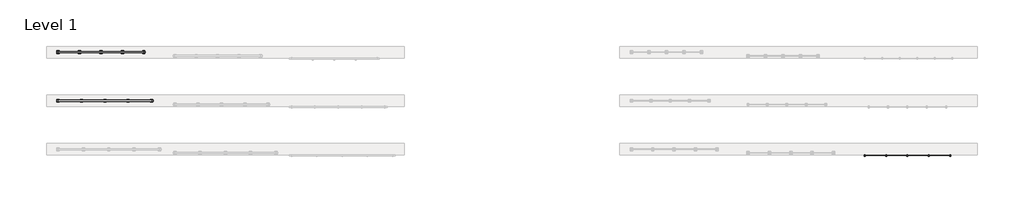
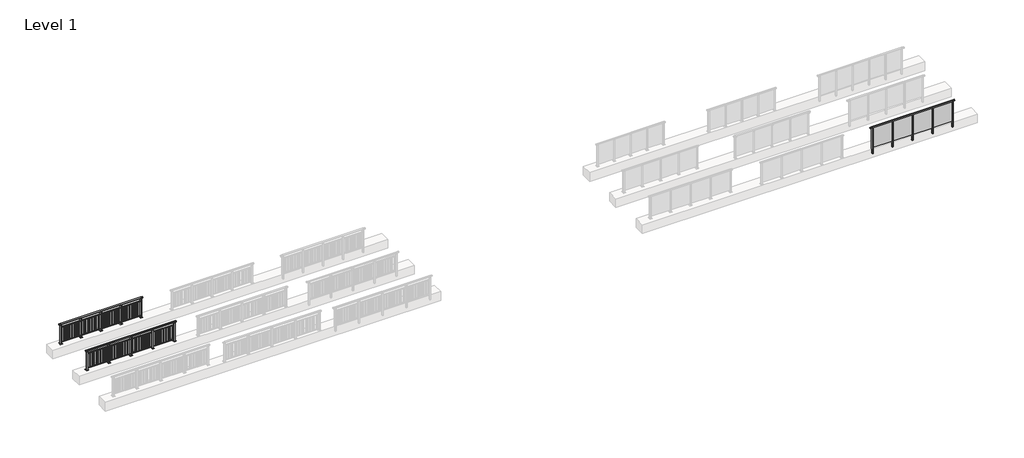
# One storey, part 22 of 38: 3 railings.
"""IFC4 building model written with IfcOpenShell, lengths in millimetres."""

from ifc_helpers import new_model, si_unit, frame, origin, origin_with_axes, place, context, project, spatial, polyline, outline, extrude, faceted_brep, element, save

model = new_model("IFC4")

# Units and contexts
model_context = context("Model", 3, world=origin())
ifc_project = project(units=[si_unit("LENGTHUNIT", "METRE", prefix="MILLI")], contexts=[model_context])

# Site, building, storey
site = spatial("IfcSite", under=ifc_project)
building = spatial("IfcBuilding", under=site)
storey = spatial("IfcBuildingStorey", under=building, Name="Level 1", Elevation=0.0)

# Railings
placement = place(None, origin())
element("IfcRailing", 1, at=placement, inside=storey, context=model_context, shape_type="SolidModel", body=[
    faceted_brep([(41476.1884576, 29897.6846828, 1252.5), (41476.1884576, 29897.6846828, 1300.0), (45876.1884576, 29897.6846828, 1300.0), (45876.1884576, 29897.6846828, 1252.5), (41476.1884576, 29837.6846828, 1252.5), (45876.1884576, 29837.6846828, 1252.5), (41476.1884576, 29837.6846828, 1300.0), (45876.1884576, 29837.6846828, 1300.0), (41353.1884576, 29897.6846828, 1300.0), (41353.1884576, 29897.6846828, 1252.5), (41353.1884576, 29837.6846828, 1252.5), (41353.1884576, 29837.6846828, 1300.0), (45999.1884576, 29897.6846828, 1300.0), (45999.1884576, 29837.6846828, 1300.0), (45999.1884576, 29837.6846828, 1252.5), (45999.1884576, 29897.6846828, 1252.5)], [[[0, 1, 2, 3]], [[4, 0, 3, 5]], [[6, 4, 5, 7]], [[1, 6, 7, 2]], [[8, 9, 10, 11]], [[9, 8, 1, 0]], [[10, 9, 0, 4]], [[11, 10, 4, 6]], [[8, 11, 6, 1]], [[12, 13, 14, 15]], [[3, 2, 12, 15]], [[5, 3, 15, 14]], [[7, 5, 14, 13]], [[2, 7, 13, 12]]]),
    extrude(outline(polyline([(44786.1884576, 29860.9094929), (44786.1884576, 29872.9094929), (45866.1884576, 29872.9094929), (45866.1884576, 29860.9094929), (44786.1884576, 29860.9094929)])), frame((0.0, 0.0, 95.0), z_axis=(0.0, 0.0, 1.0), x_axis=(1.0, 0.0, 0.0)), (0.0, 0.0, 1.0), 1160.0),
    extrude(outline(polyline([(44803.1884576, 29906.6846828), (44803.1884576, 29828.6846828), (44749.1884576, 29828.6846828), (44749.1884576, 29906.6846828), (44803.1884576, 29906.6846828)])), frame((0.0, 0.0, 1227.0), z_axis=(0.0, 0.0, 1.0), x_axis=(1.0, 0.0, 0.0)), (0.0, 0.0, 1.0), 8.0),
    extrude(outline(polyline([(44786.1884576, 29877.6846828), (44786.1884576, 29857.6846828), (44766.1884576, 29857.6846828), (44766.1884576, 29877.6846828), (44786.1884576, 29877.6846828)])), frame((0.0, 0.0, 1235.0), z_axis=(0.0, 0.0, 1.0), x_axis=(1.0, 0.0, 0.0)), (0.0, 0.0, 1.0), 20.0),
    extrude(outline(polyline([(44803.1884576, 29906.6846828), (44803.1884576, 29828.6846828), (44749.1884576, 29828.6846828), (44749.1884576, 29906.6846828), (44803.1884576, 29906.6846828)])), frame((0.0, 0.0, -220.0), z_axis=(0.0, 0.0, 1.0), x_axis=(1.0, 0.0, 0.0)), (0.0, 0.0, 1.0), 8.0),
    extrude(outline(polyline([(44803.1884576, 29906.6846828), (44803.1884576, 29828.6846828), (44749.1884576, 29828.6846828), (44749.1884576, 29906.6846828), (44803.1884576, 29906.6846828)])), frame((0.0, 0.0, -212.0), z_axis=(0.0, 0.0, 1.0), x_axis=(1.0, 0.0, 0.0)), (0.0, 0.0, 1.0), 1439.0),
    extrude(outline(polyline([(43686.1884576, 29860.9094929), (43686.1884576, 29872.9094929), (44766.1884576, 29872.9094929), (44766.1884576, 29860.9094929), (43686.1884576, 29860.9094929)])), frame((0.0, 0.0, 95.0), z_axis=(0.0, 0.0, 1.0), x_axis=(1.0, 0.0, 0.0)), (0.0, 0.0, 1.0), 1160.0),
    extrude(outline(polyline([(43703.1884576, 29906.6846828), (43703.1884576, 29828.6846828), (43649.1884576, 29828.6846828), (43649.1884576, 29906.6846828), (43703.1884576, 29906.6846828)])), frame((0.0, 0.0, 1227.0), z_axis=(0.0, 0.0, 1.0), x_axis=(1.0, 0.0, 0.0)), (0.0, 0.0, 1.0), 8.0),
    extrude(outline(polyline([(43686.1884576, 29877.6846828), (43686.1884576, 29857.6846828), (43666.1884576, 29857.6846828), (43666.1884576, 29877.6846828), (43686.1884576, 29877.6846828)])), frame((0.0, 0.0, 1235.0), z_axis=(0.0, 0.0, 1.0), x_axis=(1.0, 0.0, 0.0)), (0.0, 0.0, 1.0), 20.0),
    extrude(outline(polyline([(43703.1884576, 29906.6846828), (43703.1884576, 29828.6846828), (43649.1884576, 29828.6846828), (43649.1884576, 29906.6846828), (43703.1884576, 29906.6846828)])), frame((0.0, 0.0, -220.0), z_axis=(0.0, 0.0, 1.0), x_axis=(1.0, 0.0, 0.0)), (0.0, 0.0, 1.0), 8.0),
    extrude(outline(polyline([(43703.1884576, 29906.6846828), (43703.1884576, 29828.6846828), (43649.1884576, 29828.6846828), (43649.1884576, 29906.6846828), (43703.1884576, 29906.6846828)])), frame((0.0, 0.0, -212.0), z_axis=(0.0, 0.0, 1.0), x_axis=(1.0, 0.0, 0.0)), (0.0, 0.0, 1.0), 1439.0),
    extrude(outline(polyline([(42586.1884576, 29860.9094929), (42586.1884576, 29872.9094929), (43666.1884576, 29872.9094929), (43666.1884576, 29860.9094929), (42586.1884576, 29860.9094929)])), frame((0.0, 0.0, 95.0), z_axis=(0.0, 0.0, 1.0), x_axis=(1.0, 0.0, 0.0)), (0.0, 0.0, 1.0), 1160.0),
    extrude(outline(polyline([(42603.1884576, 29906.6846828), (42603.1884576, 29828.6846828), (42549.1884576, 29828.6846828), (42549.1884576, 29906.6846828), (42603.1884576, 29906.6846828)])), frame((0.0, 0.0, 1227.0), z_axis=(0.0, 0.0, 1.0), x_axis=(1.0, 0.0, 0.0)), (0.0, 0.0, 1.0), 8.0),
    extrude(outline(polyline([(42586.1884576, 29877.6846828), (42586.1884576, 29857.6846828), (42566.1884576, 29857.6846828), (42566.1884576, 29877.6846828), (42586.1884576, 29877.6846828)])), frame((0.0, 0.0, 1235.0), z_axis=(0.0, 0.0, 1.0), x_axis=(1.0, 0.0, 0.0)), (0.0, 0.0, 1.0), 20.0),
    extrude(outline(polyline([(42603.1884576, 29906.6846828), (42603.1884576, 29828.6846828), (42549.1884576, 29828.6846828), (42549.1884576, 29906.6846828), (42603.1884576, 29906.6846828)])), frame((0.0, 0.0, -220.0), z_axis=(0.0, 0.0, 1.0), x_axis=(1.0, 0.0, 0.0)), (0.0, 0.0, 1.0), 8.0),
    extrude(outline(polyline([(42603.1884576, 29906.6846828), (42603.1884576, 29828.6846828), (42549.1884576, 29828.6846828), (42549.1884576, 29906.6846828), (42603.1884576, 29906.6846828)])), frame((0.0, 0.0, -212.0), z_axis=(0.0, 0.0, 1.0), x_axis=(1.0, 0.0, 0.0)), (0.0, 0.0, 1.0), 1439.0),
    extrude(outline(polyline([(41486.1884576, 29860.9094929), (41486.1884576, 29872.9094929), (42566.1884576, 29872.9094929), (42566.1884576, 29860.9094929), (41486.1884576, 29860.9094929)])), frame((0.0, 0.0, 95.0), z_axis=(0.0, 0.0, 1.0), x_axis=(1.0, 0.0, 0.0)), (0.0, 0.0, 1.0), 1160.0),
    extrude(outline(polyline([(45903.1884576, 29906.6846828), (45903.1884576, 29828.6846828), (45849.1884576, 29828.6846828), (45849.1884576, 29906.6846828), (45903.1884576, 29906.6846828)])), frame((0.0, 0.0, 1227.0), z_axis=(0.0, 0.0, 1.0), x_axis=(1.0, 0.0, 0.0)), (0.0, 0.0, 1.0), 8.0),
    extrude(outline(polyline([(45886.1884576, 29877.6846828), (45886.1884576, 29857.6846828), (45866.1884576, 29857.6846828), (45866.1884576, 29877.6846828), (45886.1884576, 29877.6846828)])), frame((0.0, 0.0, 1235.0), z_axis=(0.0, 0.0, 1.0), x_axis=(1.0, 0.0, 0.0)), (0.0, 0.0, 1.0), 20.0),
    extrude(outline(polyline([(45903.1884576, 29906.6846828), (45903.1884576, 29828.6846828), (45849.1884576, 29828.6846828), (45849.1884576, 29906.6846828), (45903.1884576, 29906.6846828)])), frame((0.0, 0.0, -220.0), z_axis=(0.0, 0.0, 1.0), x_axis=(1.0, 0.0, 0.0)), (0.0, 0.0, 1.0), 8.0),
    extrude(outline(polyline([(45903.1884576, 29906.6846828), (45903.1884576, 29828.6846828), (45849.1884576, 29828.6846828), (45849.1884576, 29906.6846828), (45903.1884576, 29906.6846828)])), frame((0.0, 0.0, -212.0), z_axis=(0.0, 0.0, 1.0), x_axis=(1.0, 0.0, 0.0)), (0.0, 0.0, 1.0), 1439.0),
    extrude(outline(polyline([(41503.1884576, 29906.6846828), (41503.1884576, 29828.6846828), (41449.1884576, 29828.6846828), (41449.1884576, 29906.6846828), (41503.1884576, 29906.6846828)])), frame((0.0, 0.0, 1227.0), z_axis=(0.0, 0.0, 1.0), x_axis=(1.0, 0.0, 0.0)), (0.0, 0.0, 1.0), 8.0),
    extrude(outline(polyline([(41486.1884576, 29877.6846828), (41486.1884576, 29857.6846828), (41466.1884576, 29857.6846828), (41466.1884576, 29877.6846828), (41486.1884576, 29877.6846828)])), frame((0.0, 0.0, 1235.0), z_axis=(0.0, 0.0, 1.0), x_axis=(1.0, 0.0, 0.0)), (0.0, 0.0, 1.0), 20.0),
    extrude(outline(polyline([(41503.1884576, 29906.6846828), (41503.1884576, 29828.6846828), (41449.1884576, 29828.6846828), (41449.1884576, 29906.6846828), (41503.1884576, 29906.6846828)])), frame((0.0, 0.0, -220.0), z_axis=(0.0, 0.0, 1.0), x_axis=(1.0, 0.0, 0.0)), (0.0, 0.0, 1.0), 8.0),
    extrude(outline(polyline([(41503.1884576, 29906.6846828), (41503.1884576, 29828.6846828), (41449.1884576, 29828.6846828), (41449.1884576, 29906.6846828), (41503.1884576, 29906.6846828)])), frame((0.0, 0.0, -212.0), z_axis=(0.0, 0.0, 1.0), x_axis=(1.0, 0.0, 0.0)), (0.0, 0.0, 1.0), 1439.0),
])
element("IfcRailing", 2, at=placement, inside=storey, context=model_context, shape_type="SolidModel", body=[
    faceted_brep([(0.0, 32720.1846828, 1102.5), (0.0, 32720.1846828, 1150.0), (4800.0, 32720.1846828, 1150.0), (4800.0, 32720.1846828, 1102.5), (0.0, 32660.1846828, 1102.5), (4800.0, 32660.1846828, 1102.5), (0.0, 32660.1846828, 1150.0), (4800.0, 32660.1846828, 1150.0), (-87.5, 32720.1846828, 1150.0), (-87.5, 32720.1846828, 1102.5), (-87.5, 32660.1846828, 1102.5), (-87.5, 32660.1846828, 1150.0), (4887.5, 32720.1846828, 1150.0), (4887.5, 32660.1846828, 1150.0), (4887.5, 32660.1846828, 1102.5), (4887.5, 32720.1846828, 1102.5)], [[[0, 1, 2, 3]], [[4, 0, 3, 5]], [[6, 4, 5, 7]], [[1, 6, 7, 2]], [[8, 9, 10, 11]], [[9, 8, 1, 0]], [[10, 9, 0, 4]], [[11, 10, 4, 6]], [[8, 11, 6, 1]], [[12, 13, 14, 15]], [[3, 2, 12, 15]], [[5, 3, 15, 14]], [[7, 5, 14, 13]], [[2, 7, 13, 12]]]),
    extrude(outline(polyline([(0.0, 32672.1846828), (0.0, 32708.1846828), (4800.0, 32708.1846828), (4800.0, 32672.1846828), (0.0, 32672.1846828)])), frame((0.0, 0.0, 928.0), z_axis=(0.0, 0.0, 1.0), x_axis=(1.0, 0.0, 0.0)), (0.0, 0.0, 1.0), 32.0),
    extrude(outline(polyline([(0.0, 32672.1846828), (0.0, 32708.1846828), (4800.0, 32708.1846828), (4800.0, 32672.1846828), (0.0, 32672.1846828)])), frame((0.0, 0.0, 93.0), z_axis=(0.0, 0.0, 1.0), x_axis=(1.0, 0.0, 0.0)), (0.0, 0.0, 1.0), 32.0),
    extrude(outline(polyline([(4725.7345679, 32698.6846828), (4725.7345679, 32681.6846828), (4676.7345679, 32681.6846828), (4676.7345679, 32698.6846828), (4725.7345679, 32698.6846828)])), frame((0.0, 0.0, 125.0), z_axis=(0.0, 0.0, 1.0), x_axis=(1.0, 0.0, 0.0)), (0.0, 0.0, 1.0), 803.0),
    extrude(outline(polyline([(4582.5246914, 32698.6846828), (4582.5246914, 32681.6846828), (4533.5246914, 32681.6846828), (4533.5246914, 32698.6846828), (4582.5246914, 32698.6846828)])), frame((0.0, 0.0, 125.0), z_axis=(0.0, 0.0, 1.0), x_axis=(1.0, 0.0, 0.0)), (0.0, 0.0, 1.0), 803.0),
    extrude(outline(polyline([(4439.3148148, 32698.6846828), (4439.3148148, 32681.6846828), (4390.3148148, 32681.6846828), (4390.3148148, 32698.6846828), (4439.3148148, 32698.6846828)])), frame((0.0, 0.0, 125.0), z_axis=(0.0, 0.0, 1.0), x_axis=(1.0, 0.0, 0.0)), (0.0, 0.0, 1.0), 803.0),
    extrude(outline(polyline([(4296.1049383, 32698.6846828), (4296.1049383, 32681.6846828), (4247.1049383, 32681.6846828), (4247.1049383, 32698.6846828), (4296.1049383, 32698.6846828)])), frame((0.0, 0.0, 125.0), z_axis=(0.0, 0.0, 1.0), x_axis=(1.0, 0.0, 0.0)), (0.0, 0.0, 1.0), 803.0),
    extrude(outline(polyline([(4152.8950617, 32698.6846828), (4152.8950617, 32681.6846828), (4103.8950617, 32681.6846828), (4103.8950617, 32698.6846828), (4152.8950617, 32698.6846828)])), frame((0.0, 0.0, 125.0), z_axis=(0.0, 0.0, 1.0), x_axis=(1.0, 0.0, 0.0)), (0.0, 0.0, 1.0), 803.0),
    extrude(outline(polyline([(4009.6851852, 32698.6846828), (4009.6851852, 32681.6846828), (3960.6851852, 32681.6846828), (3960.6851852, 32698.6846828), (4009.6851852, 32698.6846828)])), frame((0.0, 0.0, 125.0), z_axis=(0.0, 0.0, 1.0), x_axis=(1.0, 0.0, 0.0)), (0.0, 0.0, 1.0), 803.0),
    extrude(outline(polyline([(3866.4753086, 32698.6846828), (3866.4753086, 32681.6846828), (3817.4753086, 32681.6846828), (3817.4753086, 32698.6846828), (3866.4753086, 32698.6846828)])), frame((0.0, 0.0, 125.0), z_axis=(0.0, 0.0, 1.0), x_axis=(1.0, 0.0, 0.0)), (0.0, 0.0, 1.0), 803.0),
    extrude(outline(polyline([(3723.2654321, 32698.6846828), (3723.2654321, 32681.6846828), (3674.2654321, 32681.6846828), (3674.2654321, 32698.6846828), (3723.2654321, 32698.6846828)])), frame((0.0, 0.0, 125.0), z_axis=(0.0, 0.0, 1.0), x_axis=(1.0, 0.0, 0.0)), (0.0, 0.0, 1.0), 803.0),
    extrude(outline(polyline([(3610.0, 32680.1846828), (3590.0, 32680.1846828), (3590.0, 32700.1846828), (3610.0, 32700.1846828), (3610.0, 32680.1846828)])), frame((0.0, 0.0, 1085.0), z_axis=(0.0, 0.0, 1.0), x_axis=(1.0, 0.0, 0.0)), (0.0, 0.0, 1.0), 20.0),
    extrude(outline(polyline([(3627.0, 32651.1846828), (3573.0, 32651.1846828), (3573.0, 32729.1846828), (3627.0, 32729.1846828), (3627.0, 32651.1846828)])), frame((0.0, 0.0, 1077.0), z_axis=(0.0, 0.0, 1.0), x_axis=(1.0, 0.0, 0.0)), (0.0, 0.0, 1.0), 8.0),
    extrude(outline(polyline([(3662.5, 32615.1846828), (3537.5, 32615.1846828), (3537.5, 32765.1846828), (3662.5, 32765.1846828), (3662.5, 32615.1846828)])), origin_with_axes(), (0.0, 0.0, 1.0), 12.0),
    extrude(outline(polyline([(3627.0, 32651.1846828), (3573.0, 32651.1846828), (3573.0, 32729.1846828), (3627.0, 32729.1846828), (3627.0, 32651.1846828)])), frame((0.0, 0.0, 12.0), z_axis=(0.0, 0.0, 1.0), x_axis=(1.0, 0.0, 0.0)), (0.0, 0.0, 1.0), 1065.0),
    extrude(outline(polyline([(3525.7345679, 32698.6846828), (3525.7345679, 32681.6846828), (3476.7345679, 32681.6846828), (3476.7345679, 32698.6846828), (3525.7345679, 32698.6846828)])), frame((0.0, 0.0, 125.0), z_axis=(0.0, 0.0, 1.0), x_axis=(1.0, 0.0, 0.0)), (0.0, 0.0, 1.0), 803.0),
    extrude(outline(polyline([(3382.5246914, 32698.6846828), (3382.5246914, 32681.6846828), (3333.5246914, 32681.6846828), (3333.5246914, 32698.6846828), (3382.5246914, 32698.6846828)])), frame((0.0, 0.0, 125.0), z_axis=(0.0, 0.0, 1.0), x_axis=(1.0, 0.0, 0.0)), (0.0, 0.0, 1.0), 803.0),
    extrude(outline(polyline([(3239.3148148, 32698.6846828), (3239.3148148, 32681.6846828), (3190.3148148, 32681.6846828), (3190.3148148, 32698.6846828), (3239.3148148, 32698.6846828)])), frame((0.0, 0.0, 125.0), z_axis=(0.0, 0.0, 1.0), x_axis=(1.0, 0.0, 0.0)), (0.0, 0.0, 1.0), 803.0),
    extrude(outline(polyline([(3096.1049383, 32698.6846828), (3096.1049383, 32681.6846828), (3047.1049383, 32681.6846828), (3047.1049383, 32698.6846828), (3096.1049383, 32698.6846828)])), frame((0.0, 0.0, 125.0), z_axis=(0.0, 0.0, 1.0), x_axis=(1.0, 0.0, 0.0)), (0.0, 0.0, 1.0), 803.0),
    extrude(outline(polyline([(2952.8950617, 32698.6846828), (2952.8950617, 32681.6846828), (2903.8950617, 32681.6846828), (2903.8950617, 32698.6846828), (2952.8950617, 32698.6846828)])), frame((0.0, 0.0, 125.0), z_axis=(0.0, 0.0, 1.0), x_axis=(1.0, 0.0, 0.0)), (0.0, 0.0, 1.0), 803.0),
    extrude(outline(polyline([(2809.6851852, 32698.6846828), (2809.6851852, 32681.6846828), (2760.6851852, 32681.6846828), (2760.6851852, 32698.6846828), (2809.6851852, 32698.6846828)])), frame((0.0, 0.0, 125.0), z_axis=(0.0, 0.0, 1.0), x_axis=(1.0, 0.0, 0.0)), (0.0, 0.0, 1.0), 803.0),
    extrude(outline(polyline([(2666.4753086, 32698.6846828), (2666.4753086, 32681.6846828), (2617.4753086, 32681.6846828), (2617.4753086, 32698.6846828), (2666.4753086, 32698.6846828)])), frame((0.0, 0.0, 125.0), z_axis=(0.0, 0.0, 1.0), x_axis=(1.0, 0.0, 0.0)), (0.0, 0.0, 1.0), 803.0),
    extrude(outline(polyline([(2523.2654321, 32698.6846828), (2523.2654321, 32681.6846828), (2474.2654321, 32681.6846828), (2474.2654321, 32698.6846828), (2523.2654321, 32698.6846828)])), frame((0.0, 0.0, 125.0), z_axis=(0.0, 0.0, 1.0), x_axis=(1.0, 0.0, 0.0)), (0.0, 0.0, 1.0), 803.0),
    extrude(outline(polyline([(2410.0, 32680.1846828), (2390.0, 32680.1846828), (2390.0, 32700.1846828), (2410.0, 32700.1846828), (2410.0, 32680.1846828)])), frame((0.0, 0.0, 1085.0), z_axis=(0.0, 0.0, 1.0), x_axis=(1.0, 0.0, 0.0)), (0.0, 0.0, 1.0), 20.0),
    extrude(outline(polyline([(2427.0, 32651.1846828), (2373.0, 32651.1846828), (2373.0, 32729.1846828), (2427.0, 32729.1846828), (2427.0, 32651.1846828)])), frame((0.0, 0.0, 1077.0), z_axis=(0.0, 0.0, 1.0), x_axis=(1.0, 0.0, 0.0)), (0.0, 0.0, 1.0), 8.0),
    extrude(outline(polyline([(2462.5, 32615.1846828), (2337.5, 32615.1846828), (2337.5, 32765.1846828), (2462.5, 32765.1846828), (2462.5, 32615.1846828)])), origin_with_axes(), (0.0, 0.0, 1.0), 12.0),
    extrude(outline(polyline([(2427.0, 32651.1846828), (2373.0, 32651.1846828), (2373.0, 32729.1846828), (2427.0, 32729.1846828), (2427.0, 32651.1846828)])), frame((0.0, 0.0, 12.0), z_axis=(0.0, 0.0, 1.0), x_axis=(1.0, 0.0, 0.0)), (0.0, 0.0, 1.0), 1065.0),
    extrude(outline(polyline([(2325.7345679, 32698.6846828), (2325.7345679, 32681.6846828), (2276.7345679, 32681.6846828), (2276.7345679, 32698.6846828), (2325.7345679, 32698.6846828)])), frame((0.0, 0.0, 125.0), z_axis=(0.0, 0.0, 1.0), x_axis=(1.0, 0.0, 0.0)), (0.0, 0.0, 1.0), 803.0),
    extrude(outline(polyline([(2182.5246914, 32698.6846828), (2182.5246914, 32681.6846828), (2133.5246914, 32681.6846828), (2133.5246914, 32698.6846828), (2182.5246914, 32698.6846828)])), frame((0.0, 0.0, 125.0), z_axis=(0.0, 0.0, 1.0), x_axis=(1.0, 0.0, 0.0)), (0.0, 0.0, 1.0), 803.0),
    extrude(outline(polyline([(2039.3148148, 32698.6846828), (2039.3148148, 32681.6846828), (1990.3148148, 32681.6846828), (1990.3148148, 32698.6846828), (2039.3148148, 32698.6846828)])), frame((0.0, 0.0, 125.0), z_axis=(0.0, 0.0, 1.0), x_axis=(1.0, 0.0, 0.0)), (0.0, 0.0, 1.0), 803.0),
    extrude(outline(polyline([(1896.1049383, 32698.6846828), (1896.1049383, 32681.6846828), (1847.1049383, 32681.6846828), (1847.1049383, 32698.6846828), (1896.1049383, 32698.6846828)])), frame((0.0, 0.0, 125.0), z_axis=(0.0, 0.0, 1.0), x_axis=(1.0, 0.0, 0.0)), (0.0, 0.0, 1.0), 803.0),
    extrude(outline(polyline([(1752.8950617, 32698.6846828), (1752.8950617, 32681.6846828), (1703.8950617, 32681.6846828), (1703.8950617, 32698.6846828), (1752.8950617, 32698.6846828)])), frame((0.0, 0.0, 125.0), z_axis=(0.0, 0.0, 1.0), x_axis=(1.0, 0.0, 0.0)), (0.0, 0.0, 1.0), 803.0),
    extrude(outline(polyline([(1609.6851852, 32698.6846828), (1609.6851852, 32681.6846828), (1560.6851852, 32681.6846828), (1560.6851852, 32698.6846828), (1609.6851852, 32698.6846828)])), frame((0.0, 0.0, 125.0), z_axis=(0.0, 0.0, 1.0), x_axis=(1.0, 0.0, 0.0)), (0.0, 0.0, 1.0), 803.0),
    extrude(outline(polyline([(1466.4753086, 32698.6846828), (1466.4753086, 32681.6846828), (1417.4753086, 32681.6846828), (1417.4753086, 32698.6846828), (1466.4753086, 32698.6846828)])), frame((0.0, 0.0, 125.0), z_axis=(0.0, 0.0, 1.0), x_axis=(1.0, 0.0, 0.0)), (0.0, 0.0, 1.0), 803.0),
    extrude(outline(polyline([(1323.2654321, 32698.6846828), (1323.2654321, 32681.6846828), (1274.2654321, 32681.6846828), (1274.2654321, 32698.6846828), (1323.2654321, 32698.6846828)])), frame((0.0, 0.0, 125.0), z_axis=(0.0, 0.0, 1.0), x_axis=(1.0, 0.0, 0.0)), (0.0, 0.0, 1.0), 803.0),
    extrude(outline(polyline([(1210.0, 32680.1846828), (1190.0, 32680.1846828), (1190.0, 32700.1846828), (1210.0, 32700.1846828), (1210.0, 32680.1846828)])), frame((0.0, 0.0, 1085.0), z_axis=(0.0, 0.0, 1.0), x_axis=(1.0, 0.0, 0.0)), (0.0, 0.0, 1.0), 20.0),
    extrude(outline(polyline([(1227.0, 32651.1846828), (1173.0, 32651.1846828), (1173.0, 32729.1846828), (1227.0, 32729.1846828), (1227.0, 32651.1846828)])), frame((0.0, 0.0, 1077.0), z_axis=(0.0, 0.0, 1.0), x_axis=(1.0, 0.0, 0.0)), (0.0, 0.0, 1.0), 8.0),
    extrude(outline(polyline([(1262.5, 32615.1846828), (1137.5, 32615.1846828), (1137.5, 32765.1846828), (1262.5, 32765.1846828), (1262.5, 32615.1846828)])), origin_with_axes(), (0.0, 0.0, 1.0), 12.0),
    extrude(outline(polyline([(1227.0, 32651.1846828), (1173.0, 32651.1846828), (1173.0, 32729.1846828), (1227.0, 32729.1846828), (1227.0, 32651.1846828)])), frame((0.0, 0.0, 12.0), z_axis=(0.0, 0.0, 1.0), x_axis=(1.0, 0.0, 0.0)), (0.0, 0.0, 1.0), 1065.0),
    extrude(outline(polyline([(1125.7345679, 32698.6846828), (1125.7345679, 32681.6846828), (1076.7345679, 32681.6846828), (1076.7345679, 32698.6846828), (1125.7345679, 32698.6846828)])), frame((0.0, 0.0, 125.0), z_axis=(0.0, 0.0, 1.0), x_axis=(1.0, 0.0, 0.0)), (0.0, 0.0, 1.0), 803.0),
    extrude(outline(polyline([(982.5246914, 32698.6846828), (982.5246914, 32681.6846828), (933.5246914, 32681.6846828), (933.5246914, 32698.6846828), (982.5246914, 32698.6846828)])), frame((0.0, 0.0, 125.0), z_axis=(0.0, 0.0, 1.0), x_axis=(1.0, 0.0, 0.0)), (0.0, 0.0, 1.0), 803.0),
    extrude(outline(polyline([(839.3148148, 32698.6846828), (839.3148148, 32681.6846828), (790.3148148, 32681.6846828), (790.3148148, 32698.6846828), (839.3148148, 32698.6846828)])), frame((0.0, 0.0, 125.0), z_axis=(0.0, 0.0, 1.0), x_axis=(1.0, 0.0, 0.0)), (0.0, 0.0, 1.0), 803.0),
    extrude(outline(polyline([(696.1049383, 32698.6846828), (696.1049383, 32681.6846828), (647.1049383, 32681.6846828), (647.1049383, 32698.6846828), (696.1049383, 32698.6846828)])), frame((0.0, 0.0, 125.0), z_axis=(0.0, 0.0, 1.0), x_axis=(1.0, 0.0, 0.0)), (0.0, 0.0, 1.0), 803.0),
    extrude(outline(polyline([(552.8950617, 32698.6846828), (552.8950617, 32681.6846828), (503.8950617, 32681.6846828), (503.8950617, 32698.6846828), (552.8950617, 32698.6846828)])), frame((0.0, 0.0, 125.0), z_axis=(0.0, 0.0, 1.0), x_axis=(1.0, 0.0, 0.0)), (0.0, 0.0, 1.0), 803.0),
    extrude(outline(polyline([(409.6851852, 32698.6846828), (409.6851852, 32681.6846828), (360.6851852, 32681.6846828), (360.6851852, 32698.6846828), (409.6851852, 32698.6846828)])), frame((0.0, 0.0, 125.0), z_axis=(0.0, 0.0, 1.0), x_axis=(1.0, 0.0, 0.0)), (0.0, 0.0, 1.0), 803.0),
    extrude(outline(polyline([(266.4753086, 32698.6846828), (266.4753086, 32681.6846828), (217.4753086, 32681.6846828), (217.4753086, 32698.6846828), (266.4753086, 32698.6846828)])), frame((0.0, 0.0, 125.0), z_axis=(0.0, 0.0, 1.0), x_axis=(1.0, 0.0, 0.0)), (0.0, 0.0, 1.0), 803.0),
    extrude(outline(polyline([(123.2654321, 32698.6846828), (123.2654321, 32681.6846828), (74.2654321, 32681.6846828), (74.2654321, 32698.6846828), (123.2654321, 32698.6846828)])), frame((0.0, 0.0, 125.0), z_axis=(0.0, 0.0, 1.0), x_axis=(1.0, 0.0, 0.0)), (0.0, 0.0, 1.0), 803.0),
    extrude(outline(polyline([(4810.0, 32680.1846828), (4790.0, 32680.1846828), (4790.0, 32700.1846828), (4810.0, 32700.1846828), (4810.0, 32680.1846828)])), frame((0.0, 0.0, 1085.0), z_axis=(0.0, 0.0, 1.0), x_axis=(1.0, 0.0, 0.0)), (0.0, 0.0, 1.0), 20.0),
    extrude(outline(polyline([(4827.0, 32651.1846828), (4773.0, 32651.1846828), (4773.0, 32729.1846828), (4827.0, 32729.1846828), (4827.0, 32651.1846828)])), frame((0.0, 0.0, 1077.0), z_axis=(0.0, 0.0, 1.0), x_axis=(1.0, 0.0, 0.0)), (0.0, 0.0, 1.0), 8.0),
    extrude(outline(polyline([(4862.5, 32615.1846828), (4737.5, 32615.1846828), (4737.5, 32765.1846828), (4862.5, 32765.1846828), (4862.5, 32615.1846828)])), origin_with_axes(), (0.0, 0.0, 1.0), 12.0),
    extrude(outline(polyline([(4827.0, 32651.1846828), (4773.0, 32651.1846828), (4773.0, 32729.1846828), (4827.0, 32729.1846828), (4827.0, 32651.1846828)])), frame((0.0, 0.0, 12.0), z_axis=(0.0, 0.0, 1.0), x_axis=(1.0, 0.0, 0.0)), (0.0, 0.0, 1.0), 1065.0),
    extrude(outline(polyline([(10.0, 32680.1846828), (-10.0, 32680.1846828), (-10.0, 32700.1846828), (10.0, 32700.1846828), (10.0, 32680.1846828)])), frame((0.0, 0.0, 1085.0), z_axis=(0.0, 0.0, 1.0), x_axis=(1.0, 0.0, 0.0)), (0.0, 0.0, 1.0), 20.0),
    extrude(outline(polyline([(27.0, 32651.1846828), (-27.0, 32651.1846828), (-27.0, 32729.1846828), (27.0, 32729.1846828), (27.0, 32651.1846828)])), frame((0.0, 0.0, 1077.0), z_axis=(0.0, 0.0, 1.0), x_axis=(1.0, 0.0, 0.0)), (0.0, 0.0, 1.0), 8.0),
    extrude(outline(polyline([(62.5, 32615.1846828), (-62.5, 32615.1846828), (-62.5, 32765.1846828), (62.5, 32765.1846828), (62.5, 32615.1846828)])), origin_with_axes(), (0.0, 0.0, 1.0), 12.0),
    extrude(outline(polyline([(27.0, 32651.1846828), (-27.0, 32651.1846828), (-27.0, 32729.1846828), (27.0, 32729.1846828), (27.0, 32651.1846828)])), frame((0.0, 0.0, 12.0), z_axis=(0.0, 0.0, 1.0), x_axis=(1.0, 0.0, 0.0)), (0.0, 0.0, 1.0), 1065.0),
])
element("IfcRailing", 3, at=placement, inside=storey, context=model_context, shape_type="SolidModel", body=[
    faceted_brep([(0.0, 35220.1846828, 1102.5), (0.0, 35220.1846828, 1150.0), (4400.0, 35220.1846828, 1150.0), (4400.0, 35220.1846828, 1102.5), (0.0, 35160.1846828, 1102.5), (4400.0, 35160.1846828, 1102.5), (0.0, 35160.1846828, 1150.0), (4400.0, 35160.1846828, 1150.0), (-87.5, 35220.1846828, 1150.0), (-87.5, 35220.1846828, 1102.5), (-87.5, 35160.1846828, 1102.5), (-87.5, 35160.1846828, 1150.0), (4487.5, 35220.1846828, 1150.0), (4487.5, 35160.1846828, 1150.0), (4487.5, 35160.1846828, 1102.5), (4487.5, 35220.1846828, 1102.5)], [[[0, 1, 2, 3]], [[4, 0, 3, 5]], [[6, 4, 5, 7]], [[1, 6, 7, 2]], [[8, 9, 10, 11]], [[9, 8, 1, 0]], [[10, 9, 0, 4]], [[11, 10, 4, 6]], [[8, 11, 6, 1]], [[12, 13, 14, 15]], [[3, 2, 12, 15]], [[5, 3, 15, 14]], [[7, 5, 14, 13]], [[2, 7, 13, 12]]]),
    extrude(outline(polyline([(0.0, 35172.1846828), (0.0, 35208.1846828), (4400.0, 35208.1846828), (4400.0, 35172.1846828), (0.0, 35172.1846828)])), frame((0.0, 0.0, 928.0), z_axis=(0.0, 0.0, 1.0), x_axis=(1.0, 0.0, 0.0)), (0.0, 0.0, 1.0), 32.0),
    extrude(outline(polyline([(0.0, 35172.1846828), (0.0, 35208.1846828), (4400.0, 35208.1846828), (4400.0, 35172.1846828), (0.0, 35172.1846828)])), frame((0.0, 0.0, 93.0), z_axis=(0.0, 0.0, 1.0), x_axis=(1.0, 0.0, 0.0)), (0.0, 0.0, 1.0), 32.0),
    extrude(outline(polyline([(4306.3592058, 35198.6846828), (4306.3592058, 35181.6846828), (4257.3592058, 35181.6846828), (4257.3592058, 35198.6846828), (4306.3592058, 35198.6846828)])), frame((0.0, 0.0, 125.0), z_axis=(0.0, 0.0, 1.0), x_axis=(1.0, 0.0, 0.0)), (0.0, 0.0, 1.0), 803.0),
    extrude(outline(polyline([(4162.4061372, 35198.6846828), (4162.4061372, 35181.6846828), (4113.4061372, 35181.6846828), (4113.4061372, 35198.6846828), (4162.4061372, 35198.6846828)])), frame((0.0, 0.0, 125.0), z_axis=(0.0, 0.0, 1.0), x_axis=(1.0, 0.0, 0.0)), (0.0, 0.0, 1.0), 803.0),
    extrude(outline(polyline([(4018.4530686, 35198.6846828), (4018.4530686, 35181.6846828), (3969.4530686, 35181.6846828), (3969.4530686, 35198.6846828), (4018.4530686, 35198.6846828)])), frame((0.0, 0.0, 125.0), z_axis=(0.0, 0.0, 1.0), x_axis=(1.0, 0.0, 0.0)), (0.0, 0.0, 1.0), 803.0),
    extrude(outline(polyline([(3874.5, 35198.6846828), (3874.5, 35181.6846828), (3825.5, 35181.6846828), (3825.5, 35198.6846828), (3874.5, 35198.6846828)])), frame((0.0, 0.0, 125.0), z_axis=(0.0, 0.0, 1.0), x_axis=(1.0, 0.0, 0.0)), (0.0, 0.0, 1.0), 803.0),
    extrude(outline(polyline([(3730.5469314, 35198.6846828), (3730.5469314, 35181.6846828), (3681.5469314, 35181.6846828), (3681.5469314, 35198.6846828), (3730.5469314, 35198.6846828)])), frame((0.0, 0.0, 125.0), z_axis=(0.0, 0.0, 1.0), x_axis=(1.0, 0.0, 0.0)), (0.0, 0.0, 1.0), 803.0),
    extrude(outline(polyline([(3586.5938628, 35198.6846828), (3586.5938628, 35181.6846828), (3537.5938628, 35181.6846828), (3537.5938628, 35198.6846828), (3586.5938628, 35198.6846828)])), frame((0.0, 0.0, 125.0), z_axis=(0.0, 0.0, 1.0), x_axis=(1.0, 0.0, 0.0)), (0.0, 0.0, 1.0), 803.0),
    extrude(outline(polyline([(3442.6407942, 35198.6846828), (3442.6407942, 35181.6846828), (3393.6407942, 35181.6846828), (3393.6407942, 35198.6846828), (3442.6407942, 35198.6846828)])), frame((0.0, 0.0, 125.0), z_axis=(0.0, 0.0, 1.0), x_axis=(1.0, 0.0, 0.0)), (0.0, 0.0, 1.0), 803.0),
    extrude(outline(polyline([(3310.0, 35180.1846828), (3290.0, 35180.1846828), (3290.0, 35200.1846828), (3310.0, 35200.1846828), (3310.0, 35180.1846828)])), frame((0.0, 0.0, 1085.0), z_axis=(0.0, 0.0, 1.0), x_axis=(1.0, 0.0, 0.0)), (0.0, 0.0, 1.0), 20.0),
    extrude(outline(polyline([(3327.0, 35151.1846828), (3273.0, 35151.1846828), (3273.0, 35229.1846828), (3327.0, 35229.1846828), (3327.0, 35151.1846828)])), frame((0.0, 0.0, 1077.0), z_axis=(0.0, 0.0, 1.0), x_axis=(1.0, 0.0, 0.0)), (0.0, 0.0, 1.0), 8.0),
    extrude(outline(polyline([(3362.5, 35115.1846828), (3237.5, 35115.1846828), (3237.5, 35265.1846828), (3362.5, 35265.1846828), (3362.5, 35115.1846828)])), origin_with_axes(), (0.0, 0.0, 1.0), 12.0),
    extrude(outline(polyline([(3327.0, 35151.1846828), (3273.0, 35151.1846828), (3273.0, 35229.1846828), (3327.0, 35229.1846828), (3327.0, 35151.1846828)])), frame((0.0, 0.0, 12.0), z_axis=(0.0, 0.0, 1.0), x_axis=(1.0, 0.0, 0.0)), (0.0, 0.0, 1.0), 1065.0),
    extrude(outline(polyline([(3206.3592058, 35198.6846828), (3206.3592058, 35181.6846828), (3157.3592058, 35181.6846828), (3157.3592058, 35198.6846828), (3206.3592058, 35198.6846828)])), frame((0.0, 0.0, 125.0), z_axis=(0.0, 0.0, 1.0), x_axis=(1.0, 0.0, 0.0)), (0.0, 0.0, 1.0), 803.0),
    extrude(outline(polyline([(3062.4061372, 35198.6846828), (3062.4061372, 35181.6846828), (3013.4061372, 35181.6846828), (3013.4061372, 35198.6846828), (3062.4061372, 35198.6846828)])), frame((0.0, 0.0, 125.0), z_axis=(0.0, 0.0, 1.0), x_axis=(1.0, 0.0, 0.0)), (0.0, 0.0, 1.0), 803.0),
    extrude(outline(polyline([(2918.4530686, 35198.6846828), (2918.4530686, 35181.6846828), (2869.4530686, 35181.6846828), (2869.4530686, 35198.6846828), (2918.4530686, 35198.6846828)])), frame((0.0, 0.0, 125.0), z_axis=(0.0, 0.0, 1.0), x_axis=(1.0, 0.0, 0.0)), (0.0, 0.0, 1.0), 803.0),
    extrude(outline(polyline([(2774.5, 35198.6846828), (2774.5, 35181.6846828), (2725.5, 35181.6846828), (2725.5, 35198.6846828), (2774.5, 35198.6846828)])), frame((0.0, 0.0, 125.0), z_axis=(0.0, 0.0, 1.0), x_axis=(1.0, 0.0, 0.0)), (0.0, 0.0, 1.0), 803.0),
    extrude(outline(polyline([(2630.5469314, 35198.6846828), (2630.5469314, 35181.6846828), (2581.5469314, 35181.6846828), (2581.5469314, 35198.6846828), (2630.5469314, 35198.6846828)])), frame((0.0, 0.0, 125.0), z_axis=(0.0, 0.0, 1.0), x_axis=(1.0, 0.0, 0.0)), (0.0, 0.0, 1.0), 803.0),
    extrude(outline(polyline([(2486.5938628, 35198.6846828), (2486.5938628, 35181.6846828), (2437.5938628, 35181.6846828), (2437.5938628, 35198.6846828), (2486.5938628, 35198.6846828)])), frame((0.0, 0.0, 125.0), z_axis=(0.0, 0.0, 1.0), x_axis=(1.0, 0.0, 0.0)), (0.0, 0.0, 1.0), 803.0),
    extrude(outline(polyline([(2342.6407942, 35198.6846828), (2342.6407942, 35181.6846828), (2293.6407942, 35181.6846828), (2293.6407942, 35198.6846828), (2342.6407942, 35198.6846828)])), frame((0.0, 0.0, 125.0), z_axis=(0.0, 0.0, 1.0), x_axis=(1.0, 0.0, 0.0)), (0.0, 0.0, 1.0), 803.0),
    extrude(outline(polyline([(2210.0, 35180.1846828), (2190.0, 35180.1846828), (2190.0, 35200.1846828), (2210.0, 35200.1846828), (2210.0, 35180.1846828)])), frame((0.0, 0.0, 1085.0), z_axis=(0.0, 0.0, 1.0), x_axis=(1.0, 0.0, 0.0)), (0.0, 0.0, 1.0), 20.0),
    extrude(outline(polyline([(2227.0, 35151.1846828), (2173.0, 35151.1846828), (2173.0, 35229.1846828), (2227.0, 35229.1846828), (2227.0, 35151.1846828)])), frame((0.0, 0.0, 1077.0), z_axis=(0.0, 0.0, 1.0), x_axis=(1.0, 0.0, 0.0)), (0.0, 0.0, 1.0), 8.0),
    extrude(outline(polyline([(2262.5, 35115.1846828), (2137.5, 35115.1846828), (2137.5, 35265.1846828), (2262.5, 35265.1846828), (2262.5, 35115.1846828)])), origin_with_axes(), (0.0, 0.0, 1.0), 12.0),
    extrude(outline(polyline([(2227.0, 35151.1846828), (2173.0, 35151.1846828), (2173.0, 35229.1846828), (2227.0, 35229.1846828), (2227.0, 35151.1846828)])), frame((0.0, 0.0, 12.0), z_axis=(0.0, 0.0, 1.0), x_axis=(1.0, 0.0, 0.0)), (0.0, 0.0, 1.0), 1065.0),
    extrude(outline(polyline([(2106.3592058, 35198.6846828), (2106.3592058, 35181.6846828), (2057.3592058, 35181.6846828), (2057.3592058, 35198.6846828), (2106.3592058, 35198.6846828)])), frame((0.0, 0.0, 125.0), z_axis=(0.0, 0.0, 1.0), x_axis=(1.0, 0.0, 0.0)), (0.0, 0.0, 1.0), 803.0),
    extrude(outline(polyline([(1962.4061372, 35198.6846828), (1962.4061372, 35181.6846828), (1913.4061372, 35181.6846828), (1913.4061372, 35198.6846828), (1962.4061372, 35198.6846828)])), frame((0.0, 0.0, 125.0), z_axis=(0.0, 0.0, 1.0), x_axis=(1.0, 0.0, 0.0)), (0.0, 0.0, 1.0), 803.0),
    extrude(outline(polyline([(1818.4530686, 35198.6846828), (1818.4530686, 35181.6846828), (1769.4530686, 35181.6846828), (1769.4530686, 35198.6846828), (1818.4530686, 35198.6846828)])), frame((0.0, 0.0, 125.0), z_axis=(0.0, 0.0, 1.0), x_axis=(1.0, 0.0, 0.0)), (0.0, 0.0, 1.0), 803.0),
    extrude(outline(polyline([(1674.5, 35198.6846828), (1674.5, 35181.6846828), (1625.5, 35181.6846828), (1625.5, 35198.6846828), (1674.5, 35198.6846828)])), frame((0.0, 0.0, 125.0), z_axis=(0.0, 0.0, 1.0), x_axis=(1.0, 0.0, 0.0)), (0.0, 0.0, 1.0), 803.0),
    extrude(outline(polyline([(1530.5469314, 35198.6846828), (1530.5469314, 35181.6846828), (1481.5469314, 35181.6846828), (1481.5469314, 35198.6846828), (1530.5469314, 35198.6846828)])), frame((0.0, 0.0, 125.0), z_axis=(0.0, 0.0, 1.0), x_axis=(1.0, 0.0, 0.0)), (0.0, 0.0, 1.0), 803.0),
    extrude(outline(polyline([(1386.5938628, 35198.6846828), (1386.5938628, 35181.6846828), (1337.5938628, 35181.6846828), (1337.5938628, 35198.6846828), (1386.5938628, 35198.6846828)])), frame((0.0, 0.0, 125.0), z_axis=(0.0, 0.0, 1.0), x_axis=(1.0, 0.0, 0.0)), (0.0, 0.0, 1.0), 803.0),
    extrude(outline(polyline([(1242.6407942, 35198.6846828), (1242.6407942, 35181.6846828), (1193.6407942, 35181.6846828), (1193.6407942, 35198.6846828), (1242.6407942, 35198.6846828)])), frame((0.0, 0.0, 125.0), z_axis=(0.0, 0.0, 1.0), x_axis=(1.0, 0.0, 0.0)), (0.0, 0.0, 1.0), 803.0),
    extrude(outline(polyline([(1110.0, 35180.1846828), (1090.0, 35180.1846828), (1090.0, 35200.1846828), (1110.0, 35200.1846828), (1110.0, 35180.1846828)])), frame((0.0, 0.0, 1085.0), z_axis=(0.0, 0.0, 1.0), x_axis=(1.0, 0.0, 0.0)), (0.0, 0.0, 1.0), 20.0),
    extrude(outline(polyline([(1127.0, 35151.1846828), (1073.0, 35151.1846828), (1073.0, 35229.1846828), (1127.0, 35229.1846828), (1127.0, 35151.1846828)])), frame((0.0, 0.0, 1077.0), z_axis=(0.0, 0.0, 1.0), x_axis=(1.0, 0.0, 0.0)), (0.0, 0.0, 1.0), 8.0),
    extrude(outline(polyline([(1162.5, 35115.1846828), (1037.5, 35115.1846828), (1037.5, 35265.1846828), (1162.5, 35265.1846828), (1162.5, 35115.1846828)])), origin_with_axes(), (0.0, 0.0, 1.0), 12.0),
    extrude(outline(polyline([(1127.0, 35151.1846828), (1073.0, 35151.1846828), (1073.0, 35229.1846828), (1127.0, 35229.1846828), (1127.0, 35151.1846828)])), frame((0.0, 0.0, 12.0), z_axis=(0.0, 0.0, 1.0), x_axis=(1.0, 0.0, 0.0)), (0.0, 0.0, 1.0), 1065.0),
    extrude(outline(polyline([(1006.3592058, 35198.6846828), (1006.3592058, 35181.6846828), (957.3592058, 35181.6846828), (957.3592058, 35198.6846828), (1006.3592058, 35198.6846828)])), frame((0.0, 0.0, 125.0), z_axis=(0.0, 0.0, 1.0), x_axis=(1.0, 0.0, 0.0)), (0.0, 0.0, 1.0), 803.0),
    extrude(outline(polyline([(862.4061372, 35198.6846828), (862.4061372, 35181.6846828), (813.4061372, 35181.6846828), (813.4061372, 35198.6846828), (862.4061372, 35198.6846828)])), frame((0.0, 0.0, 125.0), z_axis=(0.0, 0.0, 1.0), x_axis=(1.0, 0.0, 0.0)), (0.0, 0.0, 1.0), 803.0),
    extrude(outline(polyline([(718.4530686, 35198.6846828), (718.4530686, 35181.6846828), (669.4530686, 35181.6846828), (669.4530686, 35198.6846828), (718.4530686, 35198.6846828)])), frame((0.0, 0.0, 125.0), z_axis=(0.0, 0.0, 1.0), x_axis=(1.0, 0.0, 0.0)), (0.0, 0.0, 1.0), 803.0),
    extrude(outline(polyline([(574.5, 35198.6846828), (574.5, 35181.6846828), (525.5, 35181.6846828), (525.5, 35198.6846828), (574.5, 35198.6846828)])), frame((0.0, 0.0, 125.0), z_axis=(0.0, 0.0, 1.0), x_axis=(1.0, 0.0, 0.0)), (0.0, 0.0, 1.0), 803.0),
    extrude(outline(polyline([(430.5469314, 35198.6846828), (430.5469314, 35181.6846828), (381.5469314, 35181.6846828), (381.5469314, 35198.6846828), (430.5469314, 35198.6846828)])), frame((0.0, 0.0, 125.0), z_axis=(0.0, 0.0, 1.0), x_axis=(1.0, 0.0, 0.0)), (0.0, 0.0, 1.0), 803.0),
    extrude(outline(polyline([(286.5938628, 35198.6846828), (286.5938628, 35181.6846828), (237.5938628, 35181.6846828), (237.5938628, 35198.6846828), (286.5938628, 35198.6846828)])), frame((0.0, 0.0, 125.0), z_axis=(0.0, 0.0, 1.0), x_axis=(1.0, 0.0, 0.0)), (0.0, 0.0, 1.0), 803.0),
    extrude(outline(polyline([(142.6407942, 35198.6846828), (142.6407942, 35181.6846828), (93.6407942, 35181.6846828), (93.6407942, 35198.6846828), (142.6407942, 35198.6846828)])), frame((0.0, 0.0, 125.0), z_axis=(0.0, 0.0, 1.0), x_axis=(1.0, 0.0, 0.0)), (0.0, 0.0, 1.0), 803.0),
    extrude(outline(polyline([(4410.0, 35180.1846828), (4390.0, 35180.1846828), (4390.0, 35200.1846828), (4410.0, 35200.1846828), (4410.0, 35180.1846828)])), frame((0.0, 0.0, 1085.0), z_axis=(0.0, 0.0, 1.0), x_axis=(1.0, 0.0, 0.0)), (0.0, 0.0, 1.0), 20.0),
    extrude(outline(polyline([(4427.0, 35151.1846828), (4373.0, 35151.1846828), (4373.0, 35229.1846828), (4427.0, 35229.1846828), (4427.0, 35151.1846828)])), frame((0.0, 0.0, 1077.0), z_axis=(0.0, 0.0, 1.0), x_axis=(1.0, 0.0, 0.0)), (0.0, 0.0, 1.0), 8.0),
    extrude(outline(polyline([(4462.5, 35115.1846828), (4337.5, 35115.1846828), (4337.5, 35265.1846828), (4462.5, 35265.1846828), (4462.5, 35115.1846828)])), origin_with_axes(), (0.0, 0.0, 1.0), 12.0),
    extrude(outline(polyline([(4427.0, 35151.1846828), (4373.0, 35151.1846828), (4373.0, 35229.1846828), (4427.0, 35229.1846828), (4427.0, 35151.1846828)])), frame((0.0, 0.0, 12.0), z_axis=(0.0, 0.0, 1.0), x_axis=(1.0, 0.0, 0.0)), (0.0, 0.0, 1.0), 1065.0),
    extrude(outline(polyline([(10.0, 35180.1846828), (-10.0, 35180.1846828), (-10.0, 35200.1846828), (10.0, 35200.1846828), (10.0, 35180.1846828)])), frame((0.0, 0.0, 1085.0), z_axis=(0.0, 0.0, 1.0), x_axis=(1.0, 0.0, 0.0)), (0.0, 0.0, 1.0), 20.0),
    extrude(outline(polyline([(27.0, 35151.1846828), (-27.0, 35151.1846828), (-27.0, 35229.1846828), (27.0, 35229.1846828), (27.0, 35151.1846828)])), frame((0.0, 0.0, 1077.0), z_axis=(0.0, 0.0, 1.0), x_axis=(1.0, 0.0, 0.0)), (0.0, 0.0, 1.0), 8.0),
    extrude(outline(polyline([(62.5, 35115.1846828), (-62.5, 35115.1846828), (-62.5, 35265.1846828), (62.5, 35265.1846828), (62.5, 35115.1846828)])), origin_with_axes(), (0.0, 0.0, 1.0), 12.0),
    extrude(outline(polyline([(27.0, 35151.1846828), (-27.0, 35151.1846828), (-27.0, 35229.1846828), (27.0, 35229.1846828), (27.0, 35151.1846828)])), frame((0.0, 0.0, 12.0), z_axis=(0.0, 0.0, 1.0), x_axis=(1.0, 0.0, 0.0)), (0.0, 0.0, 1.0), 1065.0),
])

save(model, "model.ifc")
